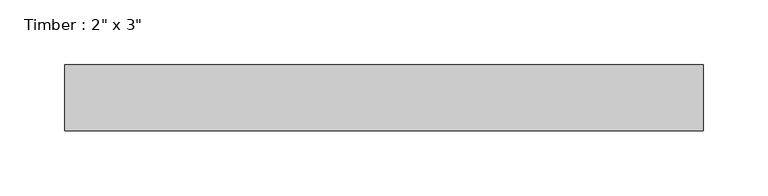
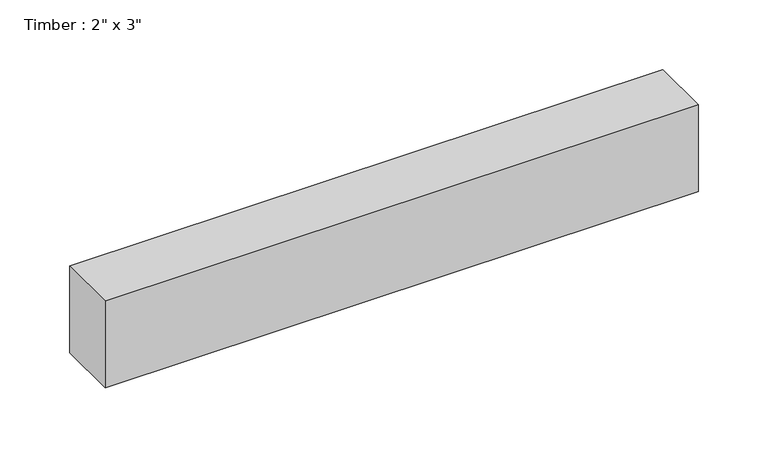
"""IFC4 building model written with IfcOpenShell, lengths in millimetres: beam geometry."""

from ifc_helpers import new_model, si_unit, frame, origin, place, context, project, spatial, polyline, outline, extrude, source, transform, mapped, element, save


def beam_85cd3af6(model_context):
    return source(origin(), model_context, "Body", "SweptSolid", [
        extrude(outline(polyline([(245.7070007, 25.4), (245.7070007, -25.4), (-245.7070007, -25.4), (-245.7070007, 25.4), (245.7070007, 25.4)])), frame((0.0, 0.0, -38.1), z_axis=(0.0, 0.0, 1.0), x_axis=(1.0, 0.0, 0.0)), (0.0, 0.0, 1.0), 76.2),
    ])


if __name__ == "__main__":
    model = new_model("IFC4")
    model_context = context("Model", 3, world=origin())
    ifc_project = project(units=[si_unit("LENGTHUNIT", "METRE", prefix="MILLI")], contexts=[model_context])
    site = spatial("IfcSite", under=ifc_project)
    building = spatial("IfcBuilding", under=site)
    placement = place(None, origin())
    beam_shape = beam_85cd3af6(model_context)
    element("IfcBeam", 1, ObjectType="Timber : 2\" x 3\"", at=placement, inside=building, context=model_context, shape_type="MappedRepresentation", body=[
        mapped(beam_shape, transform((0.0, 0.0, 0.0), x_axis=(1.0, 0.0, 0.0), y_axis=(0.0, 1.0, 0.0), z_axis=(0.0, 0.0, 1.0))),
    ])
    save(model, "model.ifc")
